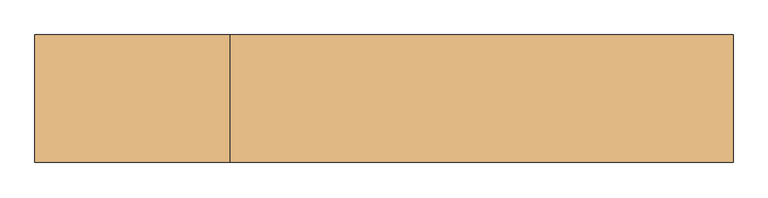
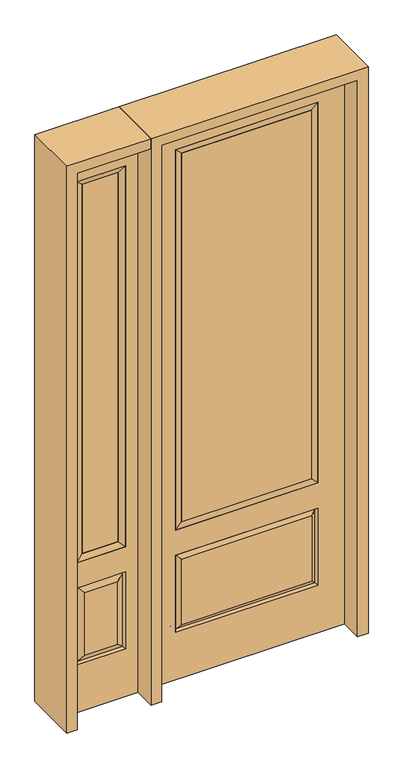
"""IFC4 building model written with IfcOpenShell, lengths in millimetres: door geometry."""

from ifc_helpers import new_model, si_unit, frame, origin, place, context, project, spatial, polyline, outline, extrude, faceted_brep, source, transform, mapped, element, save


def door_d6426010(model_context):
    return source(origin(), model_context, "Body", "SolidModel", [
        faceted_brep([(-755.65, -22.225, 0.0), (-450.85, -22.225, 0.0), (-450.85, -22.225, 2438.4), (-755.65, -22.225, 2438.4), (-502.92, -22.225, 2325.624), (-502.92, -22.225, 657.098), (-703.58, -22.225, 657.098), (-703.58, -22.225, 2325.624), (-502.92, -22.225, 209.55), (-703.58, -22.225, 209.55), (-703.58, -22.225, 546.1), (-502.92, -22.225, 546.1), (-671.8648999, -22.225, 241.2651001), (-534.6351001, -22.225, 241.2651001), (-534.6351001, -22.225, 514.3848999), (-671.8648999, -22.225, 514.3848999), (-755.65, 22.225, 0.0), (-755.65, 22.225, 2438.4), (-450.85, 22.225, 2438.4), (-450.85, 22.225, 0.0), (-502.92, 22.225, 2325.624), (-703.58, 22.225, 2325.624), (-703.58, 22.225, 657.098), (-502.92, 22.225, 657.098), (-703.58, 22.225, 209.55), (-502.92, 22.225, 209.55), (-502.92, 22.225, 546.1), (-703.58, 22.225, 546.1), (-534.6351001, 22.225, 241.2651001), (-671.8648999, 22.225, 241.2651001), (-671.8648999, 22.225, 514.3848999), (-534.6351001, 22.225, 514.3848999), (-510.0288501, 12.7912373, 216.6588501), (-696.4711499, 12.7912373, 216.6588501), (-696.4711499, 12.7912373, 538.9911499), (-510.0288501, 12.7912373, 538.9911499), (-696.4711499, -12.7912373, 216.6588501), (-510.0288501, -12.7912373, 216.6588501), (-696.4711499, -12.7912373, 538.9911499), (-510.0288501, -12.7912373, 538.9911499)], [[[0, 1, 2, 3], [4, 5, 6, 7], [8, 9, 10, 11]], [[12, 13, 14, 15]], [[16, 17, 18, 19], [20, 21, 22, 23], [24, 25, 26, 27]], [[28, 29, 30, 31]], [[1, 0, 16, 19]], [[2, 1, 19, 18]], [[3, 2, 18, 17]], [[0, 3, 17, 16]], [[5, 4, 20, 23]], [[6, 5, 23, 22]], [[7, 6, 22, 21]], [[4, 7, 21, 20]], [[32, 33, 29, 28]], [[33, 32, 25, 24]], [[29, 33, 34, 30]], [[33, 24, 27, 34]], [[30, 34, 35, 31]], [[34, 27, 26, 35]], [[32, 28, 31, 35]], [[25, 32, 35, 26]], [[12, 36, 37, 13]], [[37, 36, 9, 8]], [[36, 12, 15, 38]], [[9, 36, 38, 10]], [[38, 15, 14, 39]], [[10, 38, 39, 11]], [[13, 37, 39, 14]], [[37, 8, 11, 39]]]),
        faceted_brep([(-703.58, 22.225, 2325.624), (-703.58, -22.225, 2325.624), (-502.92, -22.225, 2325.624), (-502.92, 22.225, 2325.624), (-678.18, 12.7, 2300.224), (-528.32, 12.7, 2300.224), (-678.18, -12.7, 2300.224), (-528.32, -12.7, 2300.224), (-502.92, -22.225, 657.098), (-502.92, 22.225, 657.098), (-528.32, 12.7, 682.498), (-528.32, -12.7, 682.498), (-703.58, -22.225, 657.098), (-703.58, 22.225, 657.098), (-678.18, 12.7, 682.498), (-678.18, -12.7, 682.498)], [[[0, 1, 2, 3]], [[4, 0, 3, 5]], [[6, 4, 5, 7]], [[1, 6, 7, 2]], [[3, 2, 8, 9]], [[5, 3, 9, 10]], [[7, 5, 10, 11]], [[2, 7, 11, 8]], [[9, 8, 12, 13]], [[10, 9, 13, 14]], [[11, 10, 14, 15]], [[8, 11, 15, 12]], [[13, 12, 1, 0]], [[14, 13, 0, 4]], [[15, 14, 4, 6]], [[12, 15, 6, 1]]]),
        extrude(outline(polyline([(-528.32, -12.7), (-678.18, -12.7), (-678.18, 12.7), (-528.32, 12.7), (-528.32, -12.7)])), frame((0.0, 0.0, 682.498), z_axis=(0.0, 0.0, 1.0), x_axis=(1.0, 0.0, 0.0)), (0.0, 0.0, 1.0), 1617.726),
        extrude(outline(polyline([(269.875, -20.32), (-269.875, -20.32), (-269.875, 5.08), (269.875, 5.08), (269.875, -20.32)])), frame((0.0, 0.0, 682.498), z_axis=(0.0, 0.0, 1.0), x_axis=(1.0, 0.0, 0.0)), (0.0, 0.0, 1.0), 1616.202),
        faceted_brep([(-288.1661499, -12.7912373, 216.6588501), (288.1661499, -12.7912373, 216.6588501), (270.66875, -22.225, 234.15625), (-270.66875, -22.225, 234.15625), (-295.275, -22.225, 209.55), (295.275, -22.225, 209.55), (-288.1661499, -12.7912373, 538.9911499), (-295.275, -22.225, 546.1), (270.66875, -22.225, 521.49375), (-270.66875, -22.225, 521.49375), (406.4, -22.225, 2438.4), (-406.4, -22.225, 2438.4), (-406.4, -22.225, 0.0), (406.4, -22.225, 0.0), (295.275, -22.225, 546.1), (295.275, -22.225, 2324.1), (295.275, -22.225, 657.098), (-295.275, -22.225, 657.098), (-295.275, -22.225, 2324.1), (288.1661499, -12.7912373, 538.9911499), (-406.4, 22.225, 2438.4), (-406.4, 22.225, 0.0), (406.4, 22.225, 0.0), (406.4, 22.225, 2438.4), (295.275, 22.225, 2324.1), (295.275, 22.225, 657.098), (-295.275, 22.225, 657.098), (-295.275, 22.225, 2324.1), (-295.275, 22.225, 209.55), (295.275, 22.225, 209.55), (295.275, 22.225, 546.1), (-295.275, 22.225, 546.1), (270.66875, 22.225, 234.15625), (-270.66875, 22.225, 234.15625), (-270.66875, 22.225, 521.49375), (270.66875, 22.225, 521.49375), (-288.1661499, 12.7912373, 216.6588501), (288.1661499, 12.7912373, 216.6588501), (288.1661499, 12.7912373, 538.9911499), (-288.1661499, 12.7912373, 538.9911499)], [[[0, 1, 2, 3]], [[1, 0, 4, 5]], [[4, 0, 6, 7]], [[3, 2, 8, 9]], [[10, 11, 12, 13], [5, 4, 7, 14], [15, 16, 17, 18]], [[1, 5, 14, 19]], [[2, 1, 19, 8]], [[0, 3, 9, 6]], [[7, 6, 19, 14]], [[6, 9, 8, 19]], [[12, 11, 20, 21]], [[13, 12, 21, 22]], [[10, 13, 22, 23]], [[16, 15, 24, 25]], [[17, 16, 25, 26]], [[18, 17, 26, 27]], [[23, 22, 21, 20], [28, 29, 30, 31], [24, 27, 26, 25]], [[32, 33, 34, 35]], [[28, 36, 37, 29]], [[29, 37, 38, 30]], [[39, 31, 30, 38]], [[36, 28, 31, 39]], [[37, 36, 33, 32]], [[33, 36, 39, 34]], [[34, 39, 38, 35]], [[37, 32, 35, 38]], [[11, 10, 23, 20]], [[15, 18, 27, 24]]]),
        faceted_brep([(-295.275, -22.225, 2324.1), (-295.275, 22.225, 2324.1), (-295.275, 22.225, 657.098), (-295.275, -22.225, 657.098), (295.275, 22.225, 657.098), (295.275, -22.225, 657.098), (-269.875, 5.08, 682.498), (269.875, 5.08, 682.498), (295.275, 22.225, 2324.1), (295.275, -22.225, 2324.1), (-269.875, -20.32, 682.498), (269.875, -20.32, 682.498), (-269.875, -20.32, 2298.7), (269.875, -20.32, 2298.7), (-269.875, 5.08, 2298.7), (269.875, 5.08, 2298.7)], [[[0, 1, 2, 3]], [[3, 2, 4, 5]], [[2, 6, 7, 4]], [[5, 4, 8, 9]], [[10, 3, 5, 11]], [[12, 0, 3, 10]], [[11, 5, 9, 13]], [[6, 10, 11, 7]], [[14, 12, 10, 6]], [[7, 11, 13, 15]], [[1, 14, 6, 2]], [[4, 7, 15, 8]], [[9, 8, 1, 0]], [[13, 9, 0, 12]], [[15, 13, 12, 14]], [[8, 15, 14, 1]]]),
        extrude(outline(polyline([(2438.4, -450.85), (2482.85, -450.85), (2482.85, -800.1), (0.0, -800.1), (0.0, -755.65), (2438.4, -755.65), (2438.4, -450.85)])), frame((0.0, -114.3, 0.0), z_axis=(0.0, 1.0, 0.0), x_axis=(0.0, 0.0, 1.0)), (0.0, 0.0, 1.0), 228.6),
        extrude(outline(polyline([(2482.85, -450.85), (0.0, -450.85), (0.0, -406.4), (2438.4, -406.4), (2438.4, 406.4), (0.0, 406.4), (0.0, 450.85), (2482.85, 450.85), (2482.85, -450.85)])), frame((0.0, -114.3, 0.0), z_axis=(0.0, 1.0, 0.0), x_axis=(0.0, 0.0, 1.0)), (0.0, 0.0, 1.0), 228.6),
    ])


if __name__ == "__main__":
    model = new_model("IFC4")
    model_context = context("Model", 3, world=origin())
    ifc_project = project(units=[si_unit("LENGTHUNIT", "METRE", prefix="MILLI")], contexts=[model_context])
    site = spatial("IfcSite", under=ifc_project)
    building = spatial("IfcBuilding", under=site)
    placement = place(None, origin())
    door_shape = door_d6426010(model_context)
    element("IfcDoor", 1, at=placement, inside=building, context=model_context, shape_type="MappedRepresentation", body=[
        mapped(door_shape, transform((0.0, 0.0, 0.0), x_axis=(1.0, 0.0, 0.0), y_axis=(0.0, 1.0, 0.0), z_axis=(0.0, 0.0, 1.0))),
    ])
    save(model, "model.ifc")
